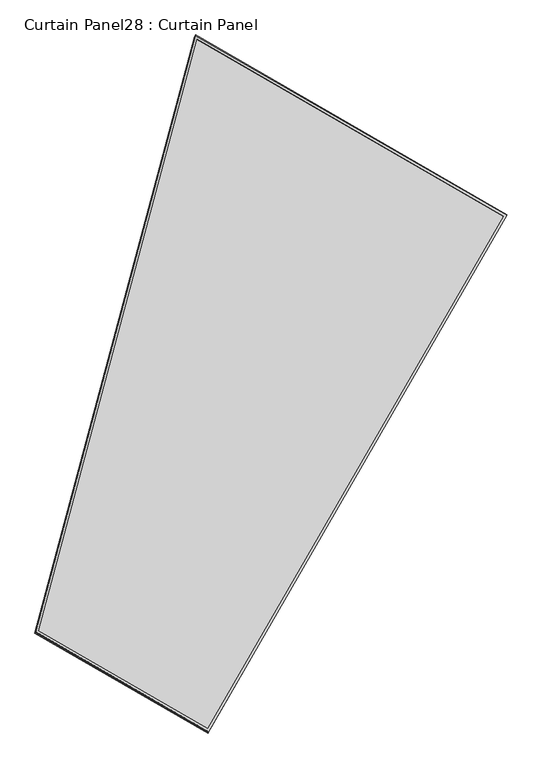
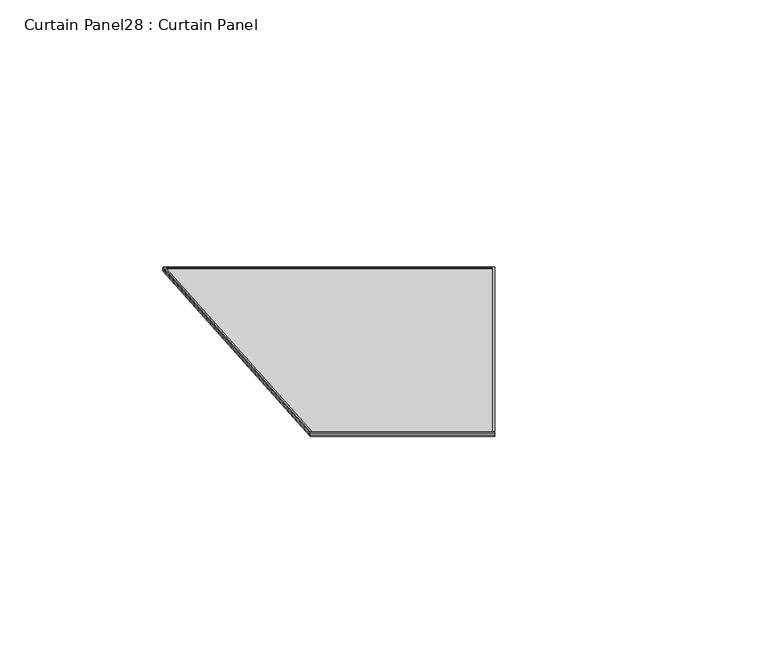
"""IFC4 building model written with IfcOpenShell, lengths in millimetres: plate geometry, Curtain Panel28 : Curtain Panel."""

from ifc_helpers import new_model, si_unit, frame, origin, place, context, project, spatial, polyline, outline, extrude, source, transform, mapped, element, save


def curtain_panel28_curtain_panel_b82e33f1(model_context):
    return source(origin(), model_context, "Body", "SweptSolid", [
        extrude(outline(polyline([(1624.8772939, -2838.164232), (721.4790616, -2838.164232), (0.0, 0.0), (1624.8772939, -1e-07), (1624.8772939, -2838.164232)]), holes=[polyline([(1613.7647939, -11.1125001), (14.2907959, -11.1125), (730.1201238, -2827.051732), (1613.7647939, -2827.0517321), (1613.7647939, -11.1125001)])]), frame((14811.3888264, 10704.7579259, -8.0031825), z_axis=(0.1580729119869136, 0.2737903148616921, 0.9487106081329086), x_axis=(0.8660254037844343, -0.5000000000000075, 0.0)), (0.0, 0.0, 1.0), 5.0007485),
        extrude(outline(polyline([(1624.8772939, -2838.1642319), (721.4790616, -2838.164232), (0.0, 0.0), (1624.8772938, 0.0), (1624.8772939, -2838.1642319)]), holes=[polyline([(1613.7412814, -11.1360124), (14.3210331, -11.1360124), (730.138407, -2827.0282196), (1613.7412814, -2827.0282195), (1613.7412814, -11.1360124)])]), frame((14808.6275985, 10699.9753388, -24.5753211), z_axis=(0.1580729119869191, 0.2737903148617007, 0.9487106081329051), x_axis=(0.866025403784434, -0.5000000000000082, 0.0)), (0.0, 0.0, 1.0), 4.7317885),
        extrude(outline(polyline([(25.6727144, 0.0), (1651.5953125, 0.0), (1651.5953126, -2842.276264), (748.1970802, -2842.276264), (25.6727144, 0.0)])), frame((14788.1876474, 10718.0083423, -21.3862249), z_axis=(0.1580729119869058, 0.2737903148616775, 0.948710608132914), x_axis=(0.8660254037844337, -0.5000000000000088, 0.0)), (0.0, 0.0, 1.0), 12.7362765),
    ])


if __name__ == "__main__":
    model = new_model("IFC4")
    model_context = context("Model", 3, world=origin())
    ifc_project = project(units=[si_unit("LENGTHUNIT", "METRE", prefix="MILLI")], contexts=[model_context])
    site = spatial("IfcSite", under=ifc_project)
    building = spatial("IfcBuilding", under=site)
    placement = place(None, origin())
    curtain_panel28_curtain_panel_shape = curtain_panel28_curtain_panel_b82e33f1(model_context)
    element("IfcPlate", 1, ObjectType="Curtain Panel28 : Curtain Panel", at=placement, inside=building, context=model_context, shape_type="MappedRepresentation", body=[
        mapped(curtain_panel28_curtain_panel_shape, transform((0.0, 0.0, 0.0), x_axis=(1.0, 0.0, 0.0), y_axis=(0.0, 1.0, 0.0), z_axis=(0.0, 0.0, 1.0))),
    ])
    save(model, "model.ifc")
